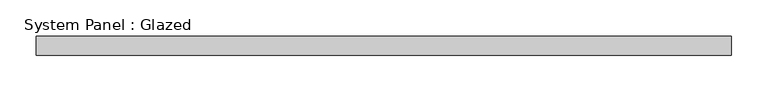
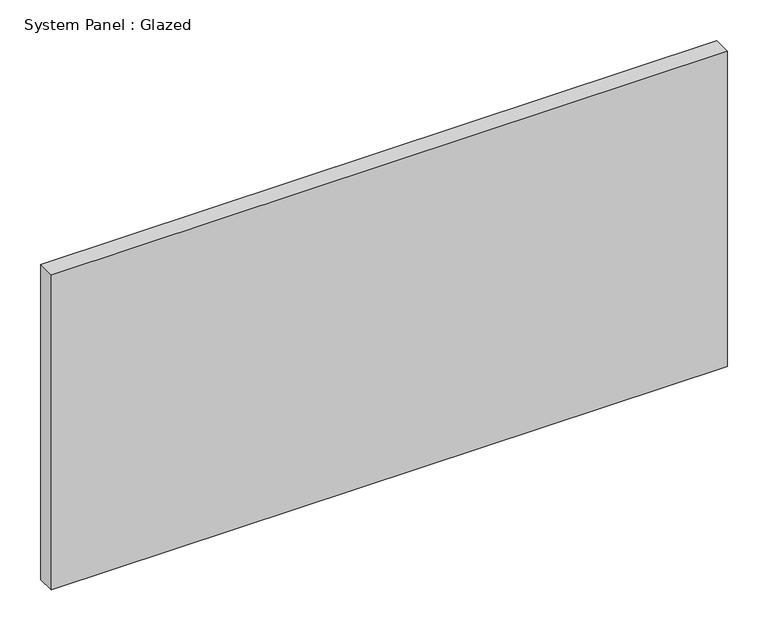
"""IFC4 building model written with IfcOpenShell, lengths in millimetres: plate geometry, System Panel : Glazed."""

from ifc_helpers import new_model, si_unit, origin, origin_with_axes, place, context, project, spatial, polyline, outline, extrude, source, transform, mapped, element, save


def system_panel_glazed_38a4bdd3(model_context):
    return source(origin(), model_context, "Body", "SweptSolid", [
        extrude(outline(polyline([(476.25, -12.7), (-476.25, -12.7), (-476.25, 12.7), (476.25, 12.7), (476.25, -12.7)])), origin_with_axes(), (0.0, 0.0, 1.0), 469.9),
    ])


if __name__ == "__main__":
    model = new_model("IFC4")
    model_context = context("Model", 3, world=origin())
    ifc_project = project(units=[si_unit("LENGTHUNIT", "METRE", prefix="MILLI")], contexts=[model_context])
    site = spatial("IfcSite", under=ifc_project)
    building = spatial("IfcBuilding", under=site)
    placement = place(None, origin())
    system_panel_glazed_shape = system_panel_glazed_38a4bdd3(model_context)
    element("IfcPlate", 1, ObjectType="System Panel : Glazed", at=placement, inside=building, context=model_context, shape_type="MappedRepresentation", body=[
        mapped(system_panel_glazed_shape, transform((0.0, 0.0, 0.0), x_axis=(1.0, 0.0, 0.0), y_axis=(0.0, 1.0, 0.0), z_axis=(0.0, 0.0, 1.0))),
    ])
    save(model, "model.ifc")
